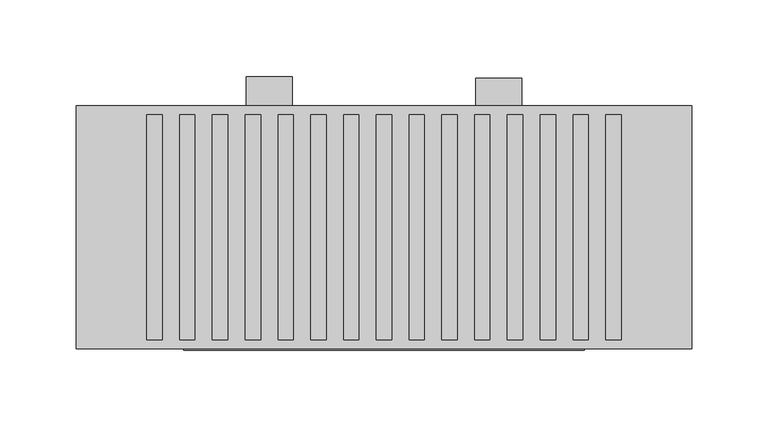
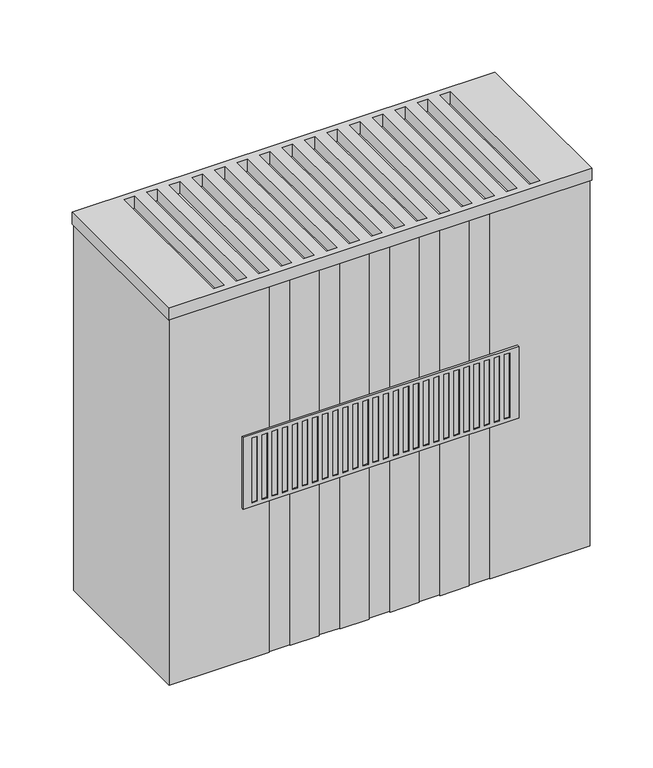
"""IFC4 building model written with IfcOpenShell, lengths in millimetres: proxy geometry."""

import ifcopenshell
import ifcopenshell.guid

model = None  # the IFC model being written
_history = None  # IfcOwnerHistory: only IFC2X3 demands one
_inside = {}  # id of a spatial element -> (the spatial element, [elements in it])
_under = {}  # id of a project, library or spatial element -> (it, [spatial elements below it])
_declared = {}  # id of a project -> (the project, [libraries it declares])
_typed = {}  # id of a type object -> (the type object, [elements of that type])
_made_of = {}  # id of a material, layer set ... -> (it, [elements and type objects made of it])


def new_model(schema):
    """Start an empty IFC model of exactly this schema.

    Asked for "IFC4X3", IfcOpenShell would pick the latest addendum, in which some entities
    have other attributes; the version numbers below select the first issue.
    IFC2X3 requires an IfcOwnerHistory on every rooted entity: one is made here for all.
    """
    global model, _history
    if schema == "IFC4X3":
        model = ifcopenshell.file(schema_version=(4, 3, 0, 0))
    else:
        model = ifcopenshell.file(schema=schema)
    _inside.clear()
    _under.clear()
    _declared.clear()
    _typed.clear()
    _made_of.clear()
    _history = None
    if model.schema == "IFC2X3":
        org = make("IfcOrganization", Name="unknown")
        user = make(
            "IfcPersonAndOrganization",
            ThePerson=make("IfcPerson", FamilyName="unknown"),
            TheOrganization=org,
        )
        app = make(
            "IfcApplication",
            ApplicationDeveloper=org,
            Version="unknown",
            ApplicationFullName="unknown",
            ApplicationIdentifier="unknown",
        )
        _history = make(
            "IfcOwnerHistory",
            OwningUser=user,
            OwningApplication=app,
            ChangeAction="ADDED",
            CreationDate=0,
        )
    return model


def make(cls, **values):
    """One entity of the class cls with the attributes given. An attribute that is None is left unset."""
    return model.create_entity(
        cls, **{name: value for name, value in values.items() if value is not None}
    )


def rooted(cls, **values):
    """An entity with a GlobalId (a new one), such as an element, a storey or a relation."""
    return make(cls, GlobalId=ifcopenshell.guid.new(), OwnerHistory=_history, **values)


def si_unit(unit_type, name, prefix=None):
    """IfcSIUnit, for example si_unit("LENGTHUNIT", "METRE", prefix="MILLI")."""
    return make("IfcSIUnit", UnitType=unit_type, Prefix=prefix, Name=name)


def assignment(units):
    """IfcUnitAssignment: the units of a project."""
    return None if units is None else make("IfcUnitAssignment", Units=units)


def point(xyz):
    """IfcCartesianPoint."""
    return None if xyz is None else make("IfcCartesianPoint", Coordinates=xyz)


def direction(xyz):
    """IfcDirection."""
    return None if xyz is None else make("IfcDirection", DirectionRatios=xyz)


def frame(location, z_axis=None, x_axis=None):
    """IfcAxis2Placement3D, a coordinate frame: its origin and axes. An axis left out is left unset."""
    return make(
        "IfcAxis2Placement3D",
        Location=point(location),
        Axis=direction(z_axis),
        RefDirection=direction(x_axis),
    )


def frame_2d(location, x_axis=None):
    """IfcAxis2Placement2D, a coordinate frame in the plane: its origin and x axis."""
    return make(
        "IfcAxis2Placement2D", Location=point(location), RefDirection=direction(x_axis)
    )


def origin():
    """The frame at (0, 0, 0) with its axes left unset."""
    return frame((0.0, 0.0, 0.0))


def place(relative_to, where):
    """IfcLocalPlacement: puts the frame where relative to a parent placement (None: the world)."""
    return make(
        "IfcLocalPlacement", PlacementRelTo=relative_to, RelativePlacement=where
    )


def context(
    kind, dimensions, precision=None, world=None, true_north=None, identifier=None
):
    """IfcGeometricRepresentationContext, for example the 3D "Model" context."""
    return make(
        "IfcGeometricRepresentationContext",
        ContextIdentifier=identifier,
        ContextType=kind,
        CoordinateSpaceDimension=dimensions,
        Precision=precision,
        WorldCoordinateSystem=world,
        TrueNorth=true_north,
    )


def project(units=None, contexts=None):
    """IfcProject with its units and contexts."""
    return rooted(
        "IfcProject",
        Name="project",
        RepresentationContexts=contexts,
        UnitsInContext=assignment(units),
    )


def spatial(cls, under=None, at=None, **own):
    """A site, building, storey or space (cls), placed at a placement, below another one or the project."""
    s = rooted(cls, ObjectPlacement=at, **own)
    if under is not None:
        _under.setdefault(under.id(), (under, []))[1].append(s)
    return s


def polyline(points):
    """IfcPolyline through the points."""
    return make("IfcPolyline", Points=[point(p) for p in points])


def circle_curve(where, radius):
    """IfcCircle in the frame where."""
    return make("IfcCircle", Position=where, Radius=radius)


def trimmed(basis, trim1, trim2, sense, master):
    """IfcTrimmedCurve: the piece of a basis curve between two trims."""
    return make(
        "IfcTrimmedCurve",
        BasisCurve=basis,
        Trim1=trim1,
        Trim2=trim2,
        SenseAgreement=sense,
        MasterRepresentation=master,
    )


def segment(curve, same_sense, transition):
    """IfcCompositeCurveSegment."""
    return make(
        "IfcCompositeCurveSegment",
        Transition=transition,
        SameSense=same_sense,
        ParentCurve=curve,
    )


def composite_curve(segments, self_intersect=None):
    """IfcCompositeCurve: segments joined end to end."""
    return make("IfcCompositeCurve", Segments=segments, SelfIntersect=self_intersect)


def outline(outer, holes=None, kind="AREA"):
    """IfcArbitraryClosedProfileDef: a profile drawn as a closed curve; with holes, ...WithVoids."""
    if holes is None:
        return make("IfcArbitraryClosedProfileDef", ProfileType=kind, OuterCurve=outer)
    return make(
        "IfcArbitraryProfileDefWithVoids",
        ProfileType=kind,
        OuterCurve=outer,
        InnerCurves=holes,
    )


def extrude(swept, where, along, depth):
    """IfcExtrudedAreaSolid: the profile swept, set in the frame where, extruded along a direction by depth."""
    return make(
        "IfcExtrudedAreaSolid",
        SweptArea=swept,
        Position=where,
        ExtrudedDirection=direction(along),
        Depth=depth,
    )


def faces_of(points, faces, orient=None, outer=None):
    """IfcFace entities. A face is a list of loops; a loop is a list of indices into points, from 0.

    orient and outer hold one flag for each loop. By default every Orientation is true, the
    first loop of a face is its IfcFaceOuterBound and the others are IfcFaceBound.
    """
    made = []
    for i, loops in enumerate(faces):
        bounds = []
        for j, loop in enumerate(loops):
            is_outer = j == 0 if outer is None else outer[i][j]
            bounds.append(
                make(
                    "IfcFaceOuterBound" if is_outer else "IfcFaceBound",
                    Bound=make("IfcPolyLoop", Polygon=[points[k] for k in loop]),
                    Orientation=True if orient is None else orient[i][j],
                )
            )
        made.append(make("IfcFace", Bounds=bounds))
    return made


def faceted_brep(points, faces, orient=None, outer=None, voids=None):
    """IfcFacetedBrep: a solid bounded by flat faces; with voids (closed shells), ...WithVoids."""
    shared = [point(p) for p in points]
    hull = make("IfcClosedShell", CfsFaces=faces_of(shared, faces, orient, outer))
    if voids is None:
        return make("IfcFacetedBrep", Outer=hull)
    return make(
        "IfcFacetedBrepWithVoids",
        Outer=hull,
        Voids=[
            make(cls, CfsFaces=faces_of(shared, fs, o, b)) for cls, fs, o, b in voids
        ],
    )


def shape(context_of_items, identifier, shape_type, items):
    """IfcShapeRepresentation: the items that make up one representation, for example the "Body"."""
    return make(
        "IfcShapeRepresentation",
        ContextOfItems=context_of_items,
        RepresentationIdentifier=identifier,
        RepresentationType=shape_type,
        Items=items,
    )


def source(mapping_origin, context_of_items, identifier, shape_type, items):
    """IfcRepresentationMap: a shape defined once, which mapped items show again and again."""
    return make(
        "IfcRepresentationMap",
        MappingOrigin=mapping_origin,
        MappedRepresentation=shape(context_of_items, identifier, shape_type, items),
    )


def transform(
    local_origin,
    x_axis=None,
    y_axis=None,
    z_axis=None,
    scale=None,
    scale2=None,
    scale3=None,
    uniform=True,
):
    """IfcCartesianTransformationOperator3D, or its non-uniform kind. x_axis, y_axis, z_axis: its Axis1, 2, 3."""
    if uniform:
        return make(
            "IfcCartesianTransformationOperator3D",
            Axis1=direction(x_axis),
            Axis2=direction(y_axis),
            LocalOrigin=point(local_origin),
            Scale=scale,
            Axis3=direction(z_axis),
        )
    return make(
        "IfcCartesianTransformationOperator3DnonUniform",
        Axis1=direction(x_axis),
        Axis2=direction(y_axis),
        LocalOrigin=point(local_origin),
        Scale=scale,
        Axis3=direction(z_axis),
        Scale2=scale2,
        Scale3=scale3,
    )


def mapped(mapping_source, mapping_target):
    """IfcMappedItem: shows the shape of a source again, moved by a transform."""
    return make(
        "IfcMappedItem", MappingSource=mapping_source, MappingTarget=mapping_target
    )


def made_of(thing, what):
    """Note that an element or type object is made of a material, layer set ...; save() writes the relation."""
    if what is not None:
        _made_of.setdefault(what.id(), (what, []))[1].append(thing)
    return thing


def element(
    cls,
    number,
    at=None,
    inside=None,
    cuts=None,
    type_object=None,
    material=None,
    context=None,
    identifier="Body",
    shape_type=None,
    held_by="IfcProductDefinitionShape",
    body=None,
    shapes=None,
    **own,
):
    """One element of the class cls, such as IfcWall. Its Tag is "e" and its number.

    at: its placement. inside: the storey or other place that contains it. cuts: it is an
    opening in that element (IfcRelVoidsElement). A single representation is given by context,
    identifier, shape_type and body (its items); several are given by shapes. held_by: the class
    of the entity that holds the representations. save() writes the other relations.
    """
    e = rooted(cls, Tag="e%d" % number, ObjectPlacement=at, **own)
    if body is not None:
        shapes = [shape(context, identifier, shape_type, body)]
    if shapes is not None:
        e.Representation = make(held_by, Representations=shapes)
    if inside is not None:
        _inside.setdefault(inside.id(), (inside, []))[1].append(e)
    if cuts is not None:
        rooted(
            "IfcRelVoidsElement", RelatingBuildingElement=cuts, RelatedOpeningElement=e
        )
    if type_object is not None:
        _typed.setdefault(type_object.id(), (type_object, []))[1].append(e)
    return made_of(e, material)


def aggregate(whole, parts):
    """IfcRelAggregates: a whole, such as a stair, and the parts it consists of."""
    return rooted("IfcRelAggregates", RelatingObject=whole, RelatedObjects=parts)


def save(model, path):
    """Write the relations noted so far, then the file.

    IfcRelAggregates (storeys below a building ...), IfcRelContainedInSpatialStructure (elements
    in a storey), IfcRelDefinesByType, IfcRelAssociatesMaterial and IfcRelDeclares: one each for
    every whole, place, type object, material and project.
    """
    for whole, parts in _under.values():
        aggregate(whole, parts)
    for where, things in _inside.values():
        rooted(
            "IfcRelContainedInSpatialStructure",
            RelatedElements=things,
            RelatingStructure=where,
        )
    for kind, things in _typed.values():
        rooted("IfcRelDefinesByType", RelatedObjects=things, RelatingType=kind)
    for what, things in _made_of.values():
        rooted("IfcRelAssociatesMaterial", RelatedObjects=things, RelatingMaterial=what)
    for by, libraries in _declared.values():
        rooted("IfcRelDeclares", RelatingContext=by, RelatedDefinitions=libraries)
    model.write(path)


def mechanical_equipment_4abef337(model_context):
    return source(origin(), model_context, "Body", "SolidModel", [
        extrude(outline(polyline([(0.0, 380.0), (0.0, 100.0), (0.0, 80.0), (-51.0, 80.0), (-66.0, 100.0), (-20.0, 100.0), (-20.0, 380.0), (0.0, 380.0)])), frame((260.0, 0.0, 0.0), z_axis=(1.0, 0.0, 0.0), x_axis=(0.0, 1.0, 0.0)), (0.0, 0.0, 1.0), 30.0),
        extrude(outline(polyline([(1.0, 380.0), (1.0, 100.0), (1.0, 80.0), (-50.0, 80.0), (-65.0, 100.0), (-19.0, 100.0), (-19.0, 380.0), (1.0, 380.0)])), frame((110.0, 0.0, 0.0), z_axis=(1.0, 0.0, 0.0), x_axis=(0.0, 1.0, 0.0)), (0.0, 0.0, 1.0), 30.0),
        faceted_brep([(331.0, -178.0, 326.0), (331.0, -178.0, 254.0), (331.0, -176.0, 254.0), (331.0, -176.0, 326.0), (69.0, -178.0, 254.0), (69.0, -178.0, 326.0), (69.0, -176.0, 326.0), (69.0, -176.0, 254.0), (322.5, -178.0, 257.5), (317.5, -178.0, 257.5), (317.5, -178.0, 322.5), (322.5, -178.0, 322.5), (92.1, -178.0, 257.5), (87.1, -178.0, 257.5), (87.1, -178.0, 322.5), (92.1, -178.0, 322.5), (101.7, -178.0, 257.5), (96.7, -178.0, 257.5), (96.7, -178.0, 322.5), (101.7, -178.0, 322.5), (111.3, -178.0, 257.5), (106.3, -178.0, 257.5), (106.3, -178.0, 322.5), (111.3, -178.0, 322.5), (120.9, -178.0, 257.5), (115.9, -178.0, 257.5), (115.9, -178.0, 322.5), (120.9, -178.0, 322.5), (130.5, -178.0, 257.5), (125.5, -178.0, 257.5), (125.5, -178.0, 322.5), (130.5, -178.0, 322.5), (140.1, -178.0, 257.5), (135.1, -178.0, 257.5), (135.1, -178.0, 322.5), (140.1, -178.0, 322.5), (149.7, -178.0, 257.5), (144.7, -178.0, 257.5), (144.7, -178.0, 322.5), (149.7, -178.0, 322.5), (159.3, -178.0, 257.5), (154.3, -178.0, 257.5), (154.3, -178.0, 322.5), (159.3, -178.0, 322.5), (168.9, -178.0, 257.5), (163.9, -178.0, 257.5), (163.9, -178.0, 322.5), (168.9, -178.0, 322.5), (178.5, -178.0, 257.5), (173.5, -178.0, 257.5), (173.5, -178.0, 322.5), (178.5, -178.0, 322.5), (188.1, -178.0, 257.5), (183.1, -178.0, 257.5), (183.1, -178.0, 322.5), (188.1, -178.0, 322.5), (197.7, -178.0, 257.5), (192.7, -178.0, 257.5), (192.7, -178.0, 322.5), (197.7, -178.0, 322.5), (207.3, -178.0, 257.5), (202.3, -178.0, 257.5), (202.3, -178.0, 322.5), (207.3, -178.0, 322.5), (216.9, -178.0, 257.5), (211.9, -178.0, 257.5), (211.9, -178.0, 322.5), (216.9, -178.0, 322.5), (226.5, -178.0, 257.5), (221.5, -178.0, 257.5), (221.5, -178.0, 322.5), (226.5, -178.0, 322.5), (236.1, -178.0, 257.5), (231.1, -178.0, 257.5), (231.1, -178.0, 322.5), (236.1, -178.0, 322.5), (245.7, -178.0, 257.5), (240.7, -178.0, 257.5), (240.7, -178.0, 322.5), (245.7, -178.0, 322.5), (255.3, -178.0, 257.5), (250.3, -178.0, 257.5), (250.3, -178.0, 322.5), (255.3, -178.0, 322.5), (264.9, -178.0, 257.5), (259.9, -178.0, 257.5), (259.9, -178.0, 322.5), (264.9, -178.0, 322.5), (274.5, -178.0, 257.5), (269.5, -178.0, 257.5), (269.5, -178.0, 322.5), (274.5, -178.0, 322.5), (284.1, -178.0, 257.5), (279.1, -178.0, 257.5), (279.1, -178.0, 322.5), (284.1, -178.0, 322.5), (293.7, -178.0, 257.5), (288.7, -178.0, 257.5), (288.7, -178.0, 322.5), (293.7, -178.0, 322.5), (303.3, -178.0, 257.5), (298.3, -178.0, 257.5), (298.3, -178.0, 322.5), (303.3, -178.0, 322.5), (312.9, -178.0, 257.5), (307.9, -178.0, 257.5), (307.9, -178.0, 322.5), (312.9, -178.0, 322.5), (82.5, -178.0, 257.5), (77.5, -178.0, 257.5), (77.5, -178.0, 322.5), (82.5, -178.0, 322.5), (317.5, -177.0, 257.5), (322.5, -177.0, 257.5), (322.5, -177.0, 322.5), (317.5, -177.0, 322.5), (87.1, -177.0, 257.5), (92.1, -177.0, 257.5), (92.1, -177.0, 322.5), (87.1, -177.0, 322.5), (96.7, -177.0, 257.5), (101.7, -177.0, 257.5), (101.7, -177.0, 322.5), (96.7, -177.0, 322.5), (106.3, -177.0, 257.5), (111.3, -177.0, 257.5), (111.3, -177.0, 322.5), (106.3, -177.0, 322.5), (115.9, -177.0, 257.5), (120.9, -177.0, 257.5), (120.9, -177.0, 322.5), (115.9, -177.0, 322.5), (125.5, -177.0, 257.5), (130.5, -177.0, 257.5), (130.5, -177.0, 322.5), (125.5, -177.0, 322.5), (135.1, -177.0, 257.5), (140.1, -177.0, 257.5), (140.1, -177.0, 322.5), (135.1, -177.0, 322.5), (144.7, -177.0, 257.5), (149.7, -177.0, 257.5), (149.7, -177.0, 322.5), (144.7, -177.0, 322.5), (154.3, -177.0, 257.5), (159.3, -177.0, 257.5), (159.3, -177.0, 322.5), (154.3, -177.0, 322.5), (163.9, -177.0, 257.5), (168.9, -177.0, 257.5), (168.9, -177.0, 322.5), (163.9, -177.0, 322.5), (173.5, -177.0, 257.5), (178.5, -177.0, 257.5), (178.5, -177.0, 322.5), (173.5, -177.0, 322.5), (183.1, -177.0, 257.5), (188.1, -177.0, 257.5), (188.1, -177.0, 322.5), (183.1, -177.0, 322.5), (192.7, -177.0, 257.5), (197.7, -177.0, 257.5), (197.7, -177.0, 322.5), (192.7, -177.0, 322.5), (202.3, -177.0, 257.5), (207.3, -177.0, 257.5), (207.3, -177.0, 322.5), (202.3, -177.0, 322.5), (211.9, -177.0, 257.5), (216.9, -177.0, 257.5), (216.9, -177.0, 322.5), (211.9, -177.0, 322.5), (221.5, -177.0, 257.5), (226.5, -177.0, 257.5), (226.5, -177.0, 322.5), (221.5, -177.0, 322.5), (231.1, -177.0, 257.5), (236.1, -177.0, 257.5), (236.1, -177.0, 322.5), (231.1, -177.0, 322.5), (240.7, -177.0, 257.5), (245.7, -177.0, 257.5), (245.7, -177.0, 322.5), (240.7, -177.0, 322.5), (250.3, -177.0, 257.5), (255.3, -177.0, 257.5), (255.3, -177.0, 322.5), (250.3, -177.0, 322.5), (259.9, -177.0, 257.5), (264.9, -177.0, 257.5), (264.9, -177.0, 322.5), (259.9, -177.0, 322.5), (269.5, -177.0, 257.5), (274.5, -177.0, 257.5), (274.5, -177.0, 322.5), (269.5, -177.0, 322.5), (279.1, -177.0, 257.5), (284.1, -177.0, 257.5), (284.1, -177.0, 322.5), (279.1, -177.0, 322.5), (288.7, -177.0, 257.5), (293.7, -177.0, 257.5), (293.7, -177.0, 322.5), (288.7, -177.0, 322.5), (298.3, -177.0, 257.5), (303.3, -177.0, 257.5), (303.3, -177.0, 322.5), (298.3, -177.0, 322.5), (307.9, -177.0, 257.5), (312.9, -177.0, 257.5), (312.9, -177.0, 322.5), (307.9, -177.0, 322.5), (77.5, -177.0, 257.5), (82.5, -177.0, 257.5), (82.5, -177.0, 322.5), (77.5, -177.0, 322.5)], [[[0, 1, 2, 3]], [[4, 5, 6, 7]], [[1, 0, 5, 4], [8, 9, 10, 11], [12, 13, 14, 15], [16, 17, 18, 19], [20, 21, 22, 23], [24, 25, 26, 27], [28, 29, 30, 31], [32, 33, 34, 35], [36, 37, 38, 39], [40, 41, 42, 43], [44, 45, 46, 47], [48, 49, 50, 51], [52, 53, 54, 55], [56, 57, 58, 59], [60, 61, 62, 63], [64, 65, 66, 67], [68, 69, 70, 71], [72, 73, 74, 75], [76, 77, 78, 79], [80, 81, 82, 83], [84, 85, 86, 87], [88, 89, 90, 91], [92, 93, 94, 95], [96, 97, 98, 99], [100, 101, 102, 103], [104, 105, 106, 107], [108, 109, 110, 111]], [[3, 2, 7, 6]], [[2, 1, 4, 7]], [[0, 3, 6, 5]], [[112, 113, 114, 115]], [[113, 112, 9, 8]], [[114, 113, 8, 11]], [[115, 114, 11, 10]], [[112, 115, 10, 9]], [[116, 117, 118, 119]], [[117, 116, 13, 12]], [[118, 117, 12, 15]], [[119, 118, 15, 14]], [[116, 119, 14, 13]], [[120, 121, 122, 123]], [[121, 120, 17, 16]], [[122, 121, 16, 19]], [[123, 122, 19, 18]], [[120, 123, 18, 17]], [[124, 125, 126, 127]], [[125, 124, 21, 20]], [[126, 125, 20, 23]], [[127, 126, 23, 22]], [[124, 127, 22, 21]], [[128, 129, 130, 131]], [[129, 128, 25, 24]], [[130, 129, 24, 27]], [[131, 130, 27, 26]], [[128, 131, 26, 25]], [[132, 133, 134, 135]], [[133, 132, 29, 28]], [[134, 133, 28, 31]], [[135, 134, 31, 30]], [[132, 135, 30, 29]], [[136, 137, 138, 139]], [[137, 136, 33, 32]], [[138, 137, 32, 35]], [[139, 138, 35, 34]], [[136, 139, 34, 33]], [[140, 141, 142, 143]], [[141, 140, 37, 36]], [[142, 141, 36, 39]], [[143, 142, 39, 38]], [[140, 143, 38, 37]], [[144, 145, 146, 147]], [[145, 144, 41, 40]], [[146, 145, 40, 43]], [[147, 146, 43, 42]], [[144, 147, 42, 41]], [[148, 149, 150, 151]], [[149, 148, 45, 44]], [[150, 149, 44, 47]], [[151, 150, 47, 46]], [[148, 151, 46, 45]], [[152, 153, 154, 155]], [[153, 152, 49, 48]], [[154, 153, 48, 51]], [[155, 154, 51, 50]], [[152, 155, 50, 49]], [[156, 157, 158, 159]], [[157, 156, 53, 52]], [[158, 157, 52, 55]], [[159, 158, 55, 54]], [[156, 159, 54, 53]], [[160, 161, 162, 163]], [[161, 160, 57, 56]], [[162, 161, 56, 59]], [[163, 162, 59, 58]], [[160, 163, 58, 57]], [[164, 165, 166, 167]], [[165, 164, 61, 60]], [[166, 165, 60, 63]], [[167, 166, 63, 62]], [[164, 167, 62, 61]], [[168, 169, 170, 171]], [[169, 168, 65, 64]], [[170, 169, 64, 67]], [[171, 170, 67, 66]], [[168, 171, 66, 65]], [[172, 173, 174, 175]], [[173, 172, 69, 68]], [[174, 173, 68, 71]], [[175, 174, 71, 70]], [[172, 175, 70, 69]], [[176, 177, 178, 179]], [[177, 176, 73, 72]], [[178, 177, 72, 75]], [[179, 178, 75, 74]], [[176, 179, 74, 73]], [[180, 181, 182, 183]], [[181, 180, 77, 76]], [[182, 181, 76, 79]], [[183, 182, 79, 78]], [[180, 183, 78, 77]], [[184, 185, 186, 187]], [[185, 184, 81, 80]], [[186, 185, 80, 83]], [[187, 186, 83, 82]], [[184, 187, 82, 81]], [[188, 189, 190, 191]], [[189, 188, 85, 84]], [[190, 189, 84, 87]], [[191, 190, 87, 86]], [[188, 191, 86, 85]], [[192, 193, 194, 195]], [[193, 192, 89, 88]], [[194, 193, 88, 91]], [[195, 194, 91, 90]], [[192, 195, 90, 89]], [[196, 197, 198, 199]], [[197, 196, 93, 92]], [[198, 197, 92, 95]], [[199, 198, 95, 94]], [[196, 199, 94, 93]], [[200, 201, 202, 203]], [[201, 200, 97, 96]], [[202, 201, 96, 99]], [[203, 202, 99, 98]], [[200, 203, 98, 97]], [[204, 205, 206, 207]], [[205, 204, 101, 100]], [[206, 205, 100, 103]], [[207, 206, 103, 102]], [[204, 207, 102, 101]], [[208, 209, 210, 211]], [[209, 208, 105, 104]], [[210, 209, 104, 107]], [[211, 210, 107, 106]], [[208, 211, 106, 105]], [[212, 213, 214, 215]], [[213, 212, 109, 108]], [[214, 213, 108, 111]], [[215, 214, 111, 110]], [[212, 215, 110, 109]]]),
        extrude(outline(polyline([(401.0, -18.0), (401.0, -177.0), (-1.0, -177.0), (-1.0, -18.0), (401.0, -18.0)]), holes=[polyline([(345.0, -171.0), (355.0, -171.0), (355.0, -24.0), (345.0, -24.0), (345.0, -171.0)]), polyline([(66.4285714, -171.0), (76.4285714, -171.0), (76.4285714, -24.0), (66.4285714, -24.0), (66.4285714, -171.0)]), polyline([(87.8571429, -171.0), (97.8571429, -171.0), (97.8571429, -24.0), (87.8571429, -24.0), (87.8571429, -171.0)]), polyline([(109.2857143, -171.0), (119.2857143, -171.0), (119.2857143, -24.0), (109.2857143, -24.0), (109.2857143, -171.0)]), polyline([(130.7142857, -171.0), (140.7142857, -171.0), (140.7142857, -24.0), (130.7142857, -24.0), (130.7142857, -171.0)]), polyline([(152.1428571, -171.0), (162.1428571, -171.0), (162.1428571, -24.0), (152.1428571, -24.0), (152.1428571, -171.0)]), polyline([(173.5714286, -171.0), (183.5714286, -171.0), (183.5714286, -24.0), (173.5714286, -24.0), (173.5714286, -171.0)]), polyline([(195.0, -171.0), (205.0, -171.0), (205.0, -24.0), (195.0, -24.0), (195.0, -171.0)]), polyline([(216.4285714, -171.0), (226.4285714, -171.0), (226.4285714, -24.0), (216.4285714, -24.0), (216.4285714, -171.0)]), polyline([(237.8571429, -171.0), (247.8571429, -171.0), (247.8571429, -24.0), (237.8571429, -24.0), (237.8571429, -171.0)]), polyline([(259.2857143, -171.0), (269.2857143, -171.0), (269.2857143, -24.0), (259.2857143, -24.0), (259.2857143, -171.0)]), polyline([(280.7142857, -171.0), (290.7142857, -171.0), (290.7142857, -24.0), (280.7142857, -24.0), (280.7142857, -171.0)]), polyline([(302.1428571, -171.0), (312.1428571, -171.0), (312.1428571, -24.0), (302.1428571, -24.0), (302.1428571, -171.0)]), polyline([(323.5714286, -171.0), (333.5714286, -171.0), (333.5714286, -24.0), (323.5714286, -24.0), (323.5714286, -171.0)]), polyline([(45.0, -171.0), (55.0, -171.0), (55.0, -24.0), (45.0, -24.0), (45.0, -171.0)])]), frame((0.0, 0.0, 468.0), z_axis=(0.0, 0.0, 1.0), x_axis=(1.0, 0.0, 0.0)), (0.0, 0.0, 1.0), 12.0),
        extrude(outline(composite_curve([segment(trimmed(circle_curve(frame_2d((386.0, -57.0)), 7.5), [point((393.5, -57.0))], [point((378.5, -57.0))], False, "CARTESIAN"), True, "CONTINUOUS"), segment(trimmed(circle_curve(frame_2d((386.0, -57.0)), 7.5), [point((378.5, -57.0))], [point((393.5, -57.0))], False, "CARTESIAN"), True, "CONTINUOUS")], self_intersect=False)), frame((0.0, 0.0, 82.0), z_axis=(0.0, 0.0, 1.0), x_axis=(1.0, 0.0, 0.0)), (0.0, 0.0, 1.0), 20.0),
        extrude(outline(composite_curve([segment(trimmed(circle_curve(frame_2d((336.0, -57.0)), 7.5), [point((343.5, -57.0))], [point((328.5, -57.0))], False, "CARTESIAN"), True, "CONTINUOUS"), segment(trimmed(circle_curve(frame_2d((336.0, -57.0)), 7.5), [point((328.5, -57.0))], [point((343.5, -57.0))], False, "CARTESIAN"), True, "CONTINUOUS")], self_intersect=False)), frame((0.0, 0.0, 82.0), z_axis=(0.0, 0.0, 1.0), x_axis=(1.0, 0.0, 0.0)), (0.0, 0.0, 1.0), 20.0),
        extrude(outline(polyline([(400.0, -19.0), (400.0, -176.0), (305.0, -176.0), (305.0, -175.0), (285.0, -175.0), (285.0, -176.0), (257.5, -176.0), (257.5, -175.0), (237.5, -175.0), (237.5, -176.0), (210.0, -176.0), (210.0, -175.0), (190.0, -175.0), (190.0, -176.0), (162.5, -176.0), (162.5, -175.0), (142.5, -175.0), (142.5, -176.0), (115.0, -176.0), (115.0, -175.0), (95.0, -175.0), (95.0, -176.0), (0.0, -176.0), (0.0, -19.0), (400.0, -19.0)])), frame((0.0, 0.0, 100.0), z_axis=(0.0, 0.0, 1.0), x_axis=(1.0, 0.0, 0.0)), (0.0, 0.0, 1.0), 368.0),
    ])


if __name__ == "__main__":
    model = new_model("IFC4")
    model_context = context("Model", 3, world=origin())
    ifc_project = project(units=[si_unit("LENGTHUNIT", "METRE", prefix="MILLI")], contexts=[model_context])
    site = spatial("IfcSite", under=ifc_project)
    building = spatial("IfcBuilding", under=site)
    placement = place(None, origin())
    mechanical_equipment_shape = mechanical_equipment_4abef337(model_context)
    element("IfcBuildingElementProxy", 1, Name="Mechanical Equipment", at=placement, inside=building, context=model_context, shape_type="MappedRepresentation", body=[
        mapped(mechanical_equipment_shape, transform((0.0, 0.0, 0.0), x_axis=(1.0, 0.0, 0.0), y_axis=(0.0, 1.0, 0.0), z_axis=(0.0, 0.0, 1.0))),
    ])
    save(model, "model.ifc")
